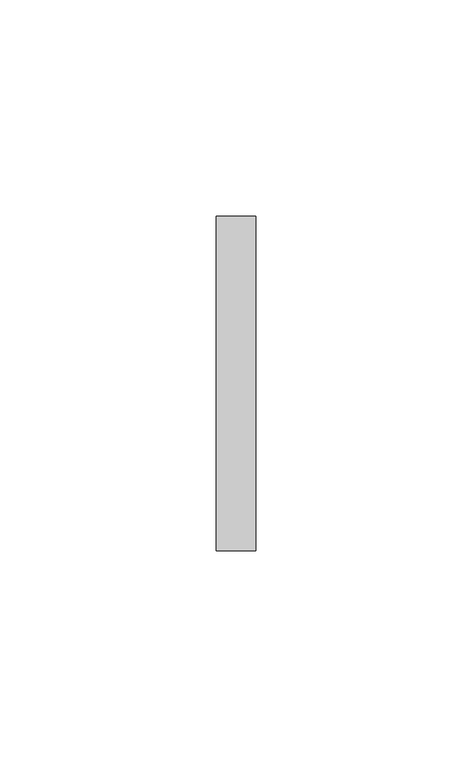
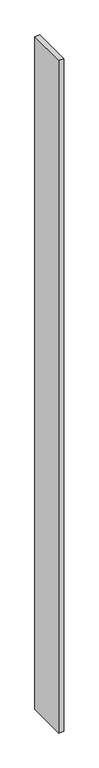
"""IFC4 building model written with IfcOpenShell, lengths in millimetres: furniture geometry."""

from ifc_helpers import new_model, si_unit, frame, origin, place, context, project, spatial, polyline, outline, extrude, source, transform, mapped, element, save


def furniture_ec58a4cd(model_context):
    return source(origin(), model_context, "Body", "SweptSolid", [
        extrude(outline(polyline([(5.5434607, 38.6537944), (5.5434607, -38.8360494), (-3.5846643, -38.8360494), (-3.5846643, 38.6537944), (5.5434607, 38.6537944)])), frame((0.0, 0.0, 101.6), z_axis=(0.0, 0.0, 1.0), x_axis=(1.0, 0.0, 0.0)), (0.0, 0.0, 1.0), 1335.151),
    ])


if __name__ == "__main__":
    model = new_model("IFC4")
    model_context = context("Model", 3, world=origin())
    ifc_project = project(units=[si_unit("LENGTHUNIT", "METRE", prefix="MILLI")], contexts=[model_context])
    site = spatial("IfcSite", under=ifc_project)
    building = spatial("IfcBuilding", under=site)
    placement = place(None, origin())
    furniture_shape = furniture_ec58a4cd(model_context)
    element("IfcFurniture", 1, at=placement, inside=building, context=model_context, shape_type="MappedRepresentation", body=[
        mapped(furniture_shape, transform((0.0, 0.0, 0.0), x_axis=(1.0, 0.0, 0.0), y_axis=(0.0, 1.0, 0.0), z_axis=(0.0, 0.0, 1.0))),
    ])
    save(model, "model.ifc")
